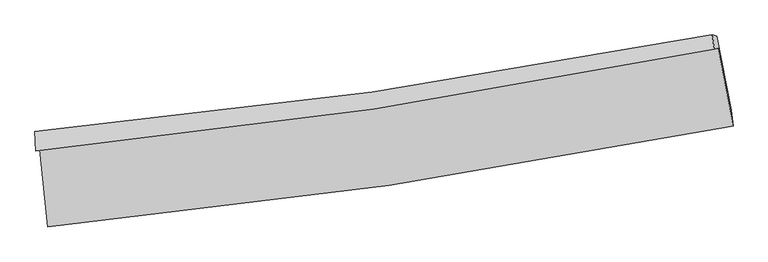
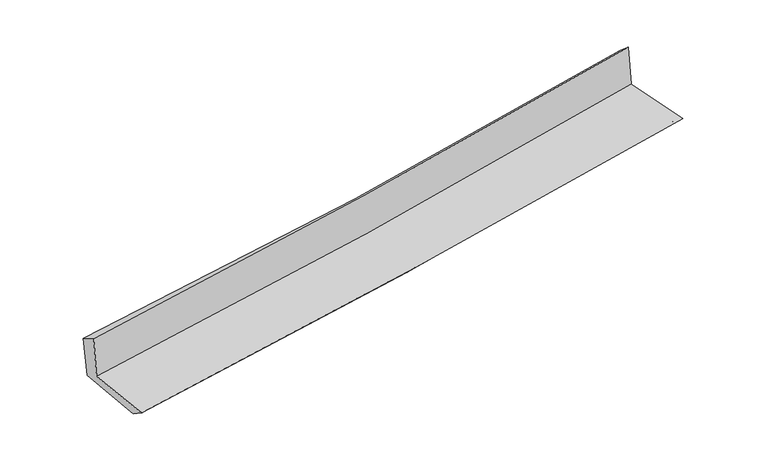
"""IFC4 building model written with IfcOpenShell, lengths in millimetres: proxy geometry."""

from ifc_helpers import new_model, si_unit, frame, origin, place, context, project, spatial, source, transform, mapped, element, save
from ifc_brep_helpers import plane_surface, spline_curve, spline_surface, advanced_brep


def generic_models_95fe8aaa(model_context):
    return source(origin(), model_context, "Body", "AdvancedBrep", [
        advanced_brep(
        [(-2906.2509877, -1902.1820638, 1622.1565821), (-2840.0077127, -2559.2467543, 1614.820034), (2995.5796557, -1699.706591, 2125.606695), (2867.9872272, -1036.2104237, 2127.3461704), (-2940.2954888, -1914.6999379, 2030.6067639), (2833.9192094, -1043.7005816, 2527.034585), (-2948.9011865, -1747.5622674, 1937.0608968), (2820.0148345, -922.9410112, 2422.4602243), (-2913.9981414, -1760.8249349, 1548.4658924), (2857.2486349, -935.9832339, 2031.5281604), (-2845.7369257, -2425.3410092, 1526.386898), (2979.3262531, -1564.090154, 2015.3529278)],
        [
            (0, 1),
            (1, 2, spline_curve(3, [(-2840.0077127, -2559.2467543, 1614.820034), (-1869.77596312, -2466.808142456, 1724.205587335), (-901.899340411, -2349.66614361, 1821.243646535), (1043.366344667, -2063.885907085, 1991.872317908), (2020.685511809, -1894.514518072, 2065.096478987), (2995.5796557, -1699.706591, 2125.606695)], [4, 2, 4], [0.0, 9.596471967097509, 19.334305566336802])),
            (2, 3),
            (3, 0, spline_curve(3, [(2867.9872272, -1036.2104237, 2127.3461704), (1905.067476237, -1229.509501046, 2053.35367935), (938.879191934, -1398.675803591, 1973.910936365), (-985.961087623, -1686.637444098, 1805.35731547), (-1944.518874926, -1806.128355085, 1716.40352913), (-2906.2509877, -1902.1820638, 1622.1565821)], [4, 2, 4], [0.0, 9.737833599239293, 19.334305566336802])),
            (4, 0),
            (3, 5),
            (5, 4, spline_curve(3, [(2833.9192094, -1043.7005816, 2527.034585), (1870.7353568, -1239.587194157, 2461.297510183), (904.417975608, -1410.462930063, 2386.693158768), (-1020.410574258, -1700.075166591, 2220.961639239), (-1978.831425542, -1819.532549182, 2130.090050349), (-2940.2954888, -1914.6999379, 2030.6067639)], [4, 2, 4], [0.0, 9.688035951666933, 19.23543317086642])),
            (6, 4),
            (5, 7),
            (7, 6, spline_curve(3, [(2820.0148345, -922.9410112, 2422.4602243), (1858.145278577, -1109.092160733, 2343.949615753), (892.928278004, -1271.214192293, 2263.937723564), (-1030.140211432, -1545.395358916, 2102.094676308), (-1987.895217864, -1658.14707967, 2020.306792883), (-2948.9011865, -1747.5622674, 1937.0608968)], [4, 2, 4], [0.0, 9.677161365071687, 19.21384186125968])),
            (8, 6),
            (7, 9),
            (9, 8, spline_curve(3, [(2857.2486349, -935.9832339, 2031.5281604), (1895.202508783, -1122.275867388, 1950.879714056), (929.700788097, -1284.486763145, 1870.004331184), (-994.14773694, -1558.739895094, 1708.97703398), (-1952.394941786, -1671.476232553, 1628.831661023), (-2913.9981414, -1760.8249349, 1548.4658924)], [4, 2, 4], [0.0, 9.668097780426152, 19.195846265701668])),
            (10, 8),
            (9, 11),
            (11, 10, spline_curve(3, [(2979.3262531, -1564.090154, 2015.3529278), (2008.277660523, -1757.448014587, 1933.683208763), (1033.757098185, -1926.244321509, 1851.801722732), (-908.030699695, -2212.620008188, 1688.80694217), (-1875.197863538, -2330.907319853, 1607.699751895), (-2845.7369257, -2425.3410092, 1526.386898)], [4, 2, 4], [0.0, 9.718457646145385, 19.295834935889193])),
            (1, 10),
            (11, 2),
        ],
        [
            spline_surface(3, 3, [[(-2906.2509877, -1902.1820638, 1622.1565821), (-1944.518875047, -1806.128354942, 1716.403529279), (-985.961087719, -1686.637444044, 1805.357315575), (938.879192032, -1398.675803646, 1973.910936258), (1905.067476356, -1229.509501174, 2053.353679416), (2867.9872272, -1036.2104237, 2127.3461704)], [(-2884.169896036, -2121.203627295, 1619.711066054), (-1919.604571029, -2026.354950773, 1719.004215317), (-957.940505322, -1907.647010578, 1810.652759232), (973.708242953, -1620.412504723, 1979.898063431), (1943.606821517, -1451.17784008, 2057.267945945), (2910.518036724, -1257.375812791, 2126.766345282)], [(-2862.088804364, -2340.225190805, 1617.265550046), (-1894.690267002, -2246.581546617, 1721.604901393), (-929.91992293, -2128.656577198, 1815.948202949), (1008.537293869, -1842.149205886, 1985.885190663), (1982.146166607, -1672.846179012, 2061.182212426), (2953.048846176, -1478.541201909, 2126.186520118)], [(-2840.0077127, -2559.2467543, 1614.820034), (-1869.775962984, -2466.808142448, 1724.205587431), (-901.899340532, -2349.666143731, 1821.243646607), (1043.36634479, -2063.885906963, 1991.872317835), (2020.685511769, -1894.514517918, 2065.096478955), (2995.5796557, -1699.706591, 2125.606695)]], [4, 4], [4, 2, 4], [0.0, 2.2015346565411855], [0.0, 9.596471967097509, 19.334305566336802]),
            spline_surface(3, 3, [[(-2940.2954888, -1914.6999379, 2030.6067639), (-1978.83142564, -1819.532549333, 2130.09005021), (-1020.410574143, -1700.07516658, 2220.961639171), (904.417975491, -1410.462930074, 2386.693158837), (1870.735356757, -1239.587194069, 2461.297510257), (2833.9192094, -1043.7005816, 2527.034585)], [(-2928.947321773, -1910.527313219, 1894.456703312), (-1967.393908783, -1815.064484555, 1992.194543245), (-1008.927412007, -1695.595925743, 2082.426864633), (915.905047666, -1406.53388794, 2249.099084638), (1882.179396623, -1236.227963128, 2325.316233318), (2845.275215333, -1041.203862325, 2393.805113475)], [(-2917.599154727, -1906.354688481, 1758.306642688), (-1955.956391905, -1810.59641972, 1854.299036244), (-997.444249855, -1691.116684881, 1943.892090113), (927.392119857, -1402.60484578, 2111.505010457), (1893.62343649, -1232.868732114, 2189.334956354), (2856.631221267, -1038.707142975, 2260.575641925)], [(-2906.2509877, -1902.1820638, 1622.1565821), (-1944.518875047, -1806.128354942, 1716.403529279), (-985.961087719, -1686.637444044, 1805.357315575), (938.879192032, -1398.675803646, 1973.910936258), (1905.067476356, -1229.509501174, 2053.353679416), (2867.9872272, -1036.2104237, 2127.3461704)]], [4, 4], [4, 2, 4], [0.0, 1.36415282787157], [0.0, 9.547397219199485, 19.23543317086642]),
            spline_surface(3, 3, [[(-2948.9011865, -1747.5622674, 1937.0608968), (-1987.895217877, -1658.147079671, 2020.306793009), (-1030.140211501, -1545.395358993, 2102.094676451), (892.928278074, -1271.214192216, 2263.937723419), (1858.145278689, -1109.092160837, 2343.949615808), (2820.0148345, -922.9410112, 2422.4602243)], [(-2946.032620601, -1803.274824222, 1968.242852483), (-1984.873953799, -1711.942236214, 2056.901212059), (-1026.896999043, -1596.955294865, 2141.716997381), (896.758177218, -1317.630438178, 2304.856201915), (1862.341971358, -1152.590505237, 2383.065580599), (2824.649626112, -963.194201323, 2457.318344508)], [(-2943.164054699, -1858.987381078, 1999.424808217), (-1981.852689718, -1765.73739279, 2093.49563116), (-1023.6537866, -1648.515230708, 2181.339318241), (900.588076348, -1364.046684112, 2345.774680341), (1866.538664089, -1196.088849668, 2422.181545466), (2829.284417788, -1003.447391477, 2492.176464792)], [(-2940.2954888, -1914.6999379, 2030.6067639), (-1978.83142564, -1819.532549333, 2130.09005021), (-1020.410574143, -1700.07516658, 2220.961639171), (904.417975491, -1410.462930074, 2386.693158837), (1870.735356757, -1239.587194069, 2461.297510257), (2833.9192094, -1043.7005816, 2527.034585)]], [4, 4], [4, 2, 4], [0.0, 0.6249123867694167], [0.0, 9.536680496187994, 19.21384186125968]),
            spline_surface(3, 3, [[(-2913.9981414, -1760.8249349, 1548.4658924), (-1952.394941878, -1671.476232656, 1628.831660972), (-994.147737, -1558.739894995, 1708.977034114), (929.700788158, -1284.486763245, 1870.004331048), (1895.202508738, -1122.275867248, 1950.8797139), (2857.2486349, -935.9832339, 2031.5281604)], [(-2925.632489759, -1756.404045739, 1677.997560528), (-1964.228367203, -1667.033181666, 1759.323371646), (-1006.145228509, -1554.291716325, 1840.016248204), (917.443284788, -1280.062572899, 2001.315461816), (1882.850098746, -1117.881298449, 2081.903014529), (2844.837368125, -931.635826338, 2161.838848359)], [(-2937.266838141, -1751.983156561, 1807.529228672), (-1976.061792551, -1662.590130661, 1889.815082335), (-1018.142719992, -1549.843537663, 1971.055462361), (905.185781444, -1275.638382561, 2132.626592651), (1870.497688681, -1113.486729636, 2212.92631518), (2832.426101275, -927.288418762, 2292.149536341)], [(-2948.9011865, -1747.5622674, 1937.0608968), (-1987.895217877, -1658.147079671, 2020.306793009), (-1030.140211501, -1545.395358993, 2102.094676451), (892.928278074, -1271.214192216, 2263.937723419), (1858.145278689, -1109.092160837, 2343.949615808), (2820.0148345, -922.9410112, 2422.4602243)]], [4, 4], [4, 2, 4], [0.0, 1.2973557385611743], [0.0, 9.527748485275517, 19.195846265701668]),
            spline_surface(3, 3, [[(-2845.7369257, -2425.3410092, 1526.386898), (-1875.197863633, -2330.907319873, 1607.699751937), (-908.03069974, -2212.620008271, 1688.806942284), (1033.75709823, -1926.244321424, 1851.801722617), (2008.277660648, -1757.448014627, 1933.683208835), (2979.3262531, -1564.090154, 2015.3529278)], [(-2868.490664279, -2203.835651091, 1533.746562822), (-1900.93022306, -2111.096957458, 1614.743721637), (-936.736378831, -1994.659970516, 1695.530306235), (999.071661535, -1712.325135368, 1857.869258768), (1970.585943343, -1545.723965487, 1939.415377197), (2938.633713698, -1354.72118062, 2020.744672007)], [(-2891.244402821, -1982.330293009, 1541.106227578), (-1926.662582451, -1891.286595071, 1621.787691272), (-965.442057909, -1776.699932751, 1702.253670163), (964.386224852, -1498.405949301, 1863.936794897), (1932.894226043, -1333.999916387, 1945.147545538), (2897.941174302, -1145.35220728, 2026.136416193)], [(-2913.9981414, -1760.8249349, 1548.4658924), (-1952.394941878, -1671.476232656, 1628.831660972), (-994.147737, -1558.739894995, 1708.977034114), (929.700788158, -1284.486763245, 1870.004331048), (1895.202508738, -1122.275867248, 1950.8797139), (2857.2486349, -935.9832339, 2031.5281604)]], [4, 4], [4, 2, 4], [0.0, 2.1488582574849455], [0.0, 9.577377289743808, 19.295834935889193]),
            spline_surface(3, 3, [[(-2840.0077127, -2559.2467543, 1614.820034), (-1869.775962984, -2466.808142448, 1724.205587431), (-901.899340532, -2349.666143731, 1821.243646607), (1043.36634479, -2063.885906963, 1991.872317835), (2020.685511769, -1894.514517918, 2065.096478955), (2995.5796557, -1699.706591, 2125.606695)], [(-2841.917450351, -2514.611505934, 1585.342322002), (-1871.583263185, -2421.507868257, 1685.370308935), (-903.943126924, -2303.984098588, 1777.098078516), (1040.163262615, -2018.00537846, 1945.182119446), (2016.549561371, -1848.825683491, 2021.292055583), (2990.161854808, -1654.501112003, 2088.855439268)], [(-2843.827188049, -2469.976257566, 1555.864609998), (-1873.390563432, -2376.207594064, 1646.535030433), (-905.986913348, -2258.302053415, 1732.952510375), (1036.960180405, -1972.124849927, 1898.491921006), (2012.413611047, -1803.136849054, 1977.487632207), (2984.744053992, -1609.295632997, 2052.104183532)], [(-2845.7369257, -2425.3410092, 1526.386898), (-1875.197863633, -2330.907319873, 1607.699751937), (-908.03069974, -2212.620008271, 1688.806942284), (1033.75709823, -1926.244321424, 1851.801722617), (2008.277660648, -1757.448014627, 1933.683208835), (2979.3262531, -1564.090154, 2015.3529278)]], [4, 4], [4, 2, 4], [0.0, 0.6353875707576608], [0.0, 9.635385319471474, 19.412705487473275]),
            plane_surface(frame((2892.3459691, -1200.4386659, 2208.2214605), z_axis=(0.9783336523039943, 0.18790882766888523, 0.08691108820877007), x_axis=(-0.09476233448153312, 0.03319326681003132, 0.9949463839836237))),
            plane_surface(frame((-2899.1984071, -2051.6428279, 1713.2495112), z_axis=(-0.9913937656215788, -0.09899279478159187, -0.08566696018883717), x_axis=(-0.10030230435753813, 0.9948949923792306, 0.01110863984916833))),
        ],
        [
            (0, [[1, 2, 3, 4]]),
            (1, [[5, -4, 6, 7]]),
            (2, [[8, -7, 9, 10]]),
            (3, [[11, -10, 12, 13]]),
            (4, [[14, -13, 15, 16]]),
            (5, [[17, -16, 18, -2]]),
            (6, [[-12, -9, -6, -3, -18, -15]]),
            (7, [[-1, -5, -8, -11, -14, -17]]),
        ],
    ),
    ])


if __name__ == "__main__":
    model = new_model("IFC4")
    model_context = context("Model", 3, world=origin())
    ifc_project = project(units=[si_unit("LENGTHUNIT", "METRE", prefix="MILLI")], contexts=[model_context])
    site = spatial("IfcSite", under=ifc_project)
    building = spatial("IfcBuilding", under=site)
    placement = place(None, origin())
    generic_models_shape = generic_models_95fe8aaa(model_context)
    element("IfcBuildingElementProxy", 1, Name="Generic Models", at=placement, inside=building, context=model_context, shape_type="MappedRepresentation", body=[
        mapped(generic_models_shape, transform((0.0, 0.0, 0.0), x_axis=(1.0, 0.0, 0.0), y_axis=(0.0, 1.0, 0.0), z_axis=(0.0, 0.0, 1.0))),
    ])
    save(model, "model.ifc")
